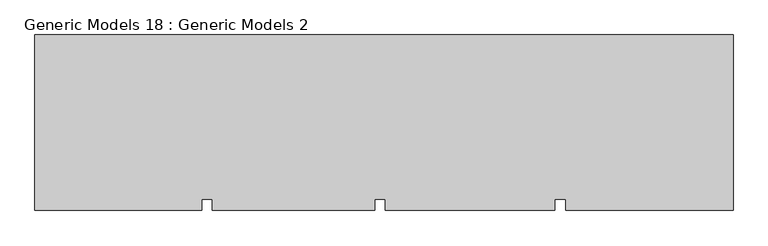
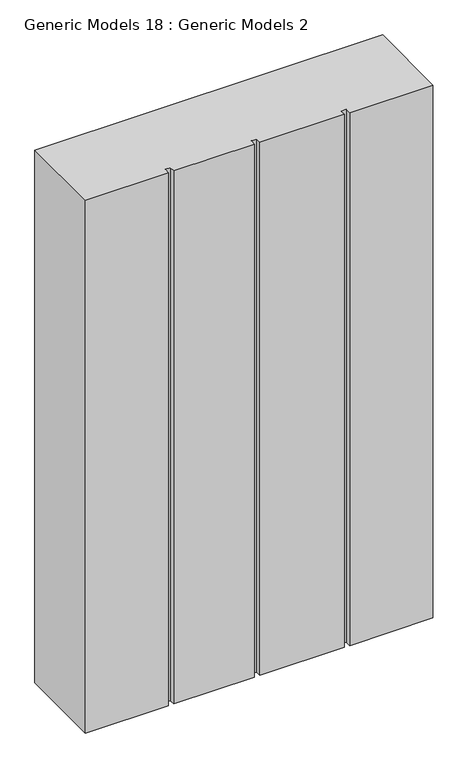
"""IFC4 building model written with IfcOpenShell, lengths in millimetres: proxy geometry, Generic Models 18 : Generic Models 2."""

from ifc_helpers import new_model, si_unit, frame, origin, place, context, project, spatial, polyline, outline, extrude, source, transform, mapped, element, save


def generic_models_18_generic_models_2_71cdd078(model_context):
    return source(origin(), model_context, "Body", "SweptSolid", [
        extrude(outline(polyline([(2231.7164352, -19881.5060032), (2231.7164352, -20368.5482183), (1767.3070227, -20368.5482183), (1767.3070227, -20336.9057177), (1737.2735899, -20336.9057177), (1737.2735899, -20368.5482183), (1267.3070227, -20368.5482183), (1267.3070227, -20336.9057177), (1237.2735899, -20336.9057177), (1237.2735899, -20368.5482183), (787.3070227, -20368.5482183), (787.3070227, -20336.9057177), (757.2735899, -20336.9057177), (757.2735899, -20368.5482183), (295.0243952, -20368.5482183), (295.0243952, -19881.5060032), (2231.7164352, -19881.5060032)])), frame((0.0, 0.0, 8905.5257027), z_axis=(0.0, 0.0, 1.0), x_axis=(1.0, 0.0, 0.0)), (0.0, 0.0, 1.0), 3139.1810234),
    ])


if __name__ == "__main__":
    model = new_model("IFC4")
    model_context = context("Model", 3, world=origin())
    ifc_project = project(units=[si_unit("LENGTHUNIT", "METRE", prefix="MILLI")], contexts=[model_context])
    site = spatial("IfcSite", under=ifc_project)
    building = spatial("IfcBuilding", under=site)
    placement = place(None, origin())
    generic_models_18_generic_models_2_shape = generic_models_18_generic_models_2_71cdd078(model_context)
    element("IfcBuildingElementProxy", 1, Name="Generic Models 18 : Generic Models 2", ObjectType="Generic Models 18 : Generic Models 2", at=placement, inside=building, context=model_context, shape_type="MappedRepresentation", body=[
        mapped(generic_models_18_generic_models_2_shape, transform((0.0, 0.0, 0.0), x_axis=(1.0, 0.0, 0.0), y_axis=(0.0, 1.0, 0.0), z_axis=(0.0, 0.0, 1.0))),
    ])
    save(model, "model.ifc")
